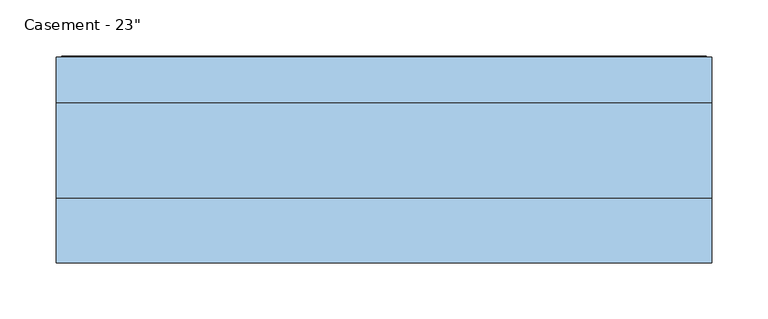
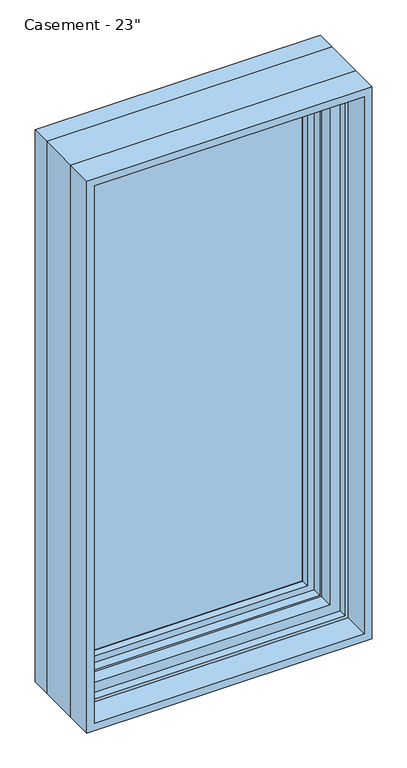
"""IFC4 building model written with IfcOpenShell, lengths in millimetres: window geometry."""

from ifc_helpers import new_model, si_unit, frame, origin, place, context, project, spatial, polyline, outline, extrude, faceted_brep, source, transform, mapped, element, save


def window_9c7bbb80(model_context):
    return source(origin(), model_context, "Body", "SolidModel", [
        extrude(outline(polyline([(240.109375, 61.3770729), (-240.0849783, 61.3770729), (-240.0849783, 78.8395729), (240.109375, 78.8395729), (240.109375, 61.3770729)])), frame((0.0, 0.0, 971.5119), z_axis=(0.0, 0.0, 1.0), x_axis=(1.0, 0.0, 0.0)), (0.0, 0.0, 1.0), 1079.5762),
        extrude(outline(polyline([(914.4, -292.1), (914.4, 292.1), (2108.2, 292.1), (2108.2, -292.1), (914.4, -292.1)]), holes=[polyline([(2092.325, -276.225), (2092.325, 276.225), (930.275, 276.225), (930.275, -276.225), (2092.325, -276.225)])]), frame((0.0, -76.2, 0.0), z_axis=(0.0, 1.0, 0.0), x_axis=(0.0, 0.0, 1.0)), (0.0, 0.0, 1.0), 57.3484375),
        faceted_brep([(-240.0849783, 61.3770729, 966.4150217), (-240.0849783, 78.8395729, 966.4150217), (-240.0849783, 78.8395729, 2056.1849783), (-240.0849783, 61.3770729, 2056.1849783), (-228.4015625, 60.1793953, 978.0984375), (-228.4015625, 61.3770729, 978.0984375), (-228.4015625, 61.3770729, 2044.5015625), (-228.4015625, 60.1793953, 2044.5015625), (-231.1498111, 47.2499024, 975.3501889), (-231.1498111, 47.2499024, 2047.2498111), (-259.1341084, 78.8395729, 947.3658916), (-259.1341084, 47.2499024, 947.3658916), (-259.1341084, 47.2499024, 2075.2341084), (-259.1341084, 78.8395729, 2075.2341084), (240.0849783, 78.8395729, 2056.1849783), (240.0849783, 61.3770729, 2056.1849783), (228.4015625, 61.3770729, 2044.5015625), (228.4015625, 60.1793953, 2044.5015625), (231.1498111, 47.2499024, 2047.2498111), (259.1341084, 47.2499024, 2075.2341084), (259.1341084, 78.8395729, 2075.2341084), (240.0849783, 78.8395729, 966.4150217), (240.0849783, 61.3770729, 966.4150217), (228.4015625, 61.3770729, 978.0984375), (228.4015625, 60.1793953, 978.0984375), (231.1498111, 47.2499024, 975.3501889), (259.1341084, 47.2499024, 947.3658916), (259.1341084, 78.8395729, 947.3658916)], [[[0, 1, 2, 3]], [[4, 5, 6, 7]], [[8, 4, 7, 9]], [[10, 11, 12, 13]], [[3, 2, 14, 15]], [[7, 6, 16, 17]], [[9, 7, 17, 18]], [[13, 12, 19, 20]], [[15, 14, 21, 22]], [[17, 16, 23, 24]], [[18, 17, 24, 25]], [[20, 19, 26, 27]], [[13, 20, 27, 10], [1, 21, 14, 2]], [[22, 21, 1, 0]], [[3, 15, 22, 0], [5, 23, 16, 6]], [[24, 23, 5, 4]], [[25, 24, 4, 8]], [[11, 26, 19, 12], [9, 18, 25, 8]], [[27, 26, 11, 10]]]),
        extrude(outline(polyline([(941.2966952, -265.2033048), (941.2966952, 265.2033048), (2081.3033048, 265.2033048), (2081.3033048, -265.2033048), (941.2966952, -265.2033048)]), holes=[polyline([(2044.5015625, -228.4015625), (2044.5015625, 228.4015625), (978.0984375, 228.4015625), (978.0984375, -228.4015625), (2044.5015625, -228.4015625)])]), frame((0.0, 78.8395729, 0.0), z_axis=(0.0, 1.0, 0.0), x_axis=(0.0, 0.0, 1.0)), (0.0, 0.0, 1.0), 15.4487776),
        faceted_brep([(-277.5220166, 106.5736375, 928.9779834), (-282.855345, 108.1484375, 923.644655), (-282.855345, 108.1484375, 2098.955345), (-277.5220166, 106.5736375, 2093.6220166), (-272.6526868, 91.7927591, 933.8473132), (-272.6526868, 106.5736375, 933.8473132), (-272.6526868, 106.5736375, 2088.7526868), (-272.6526868, 91.7927591, 2088.7526868), (-271.4244, 77.6195591, 935.0756), (-271.4244, 77.6195591, 2087.5244), (-271.4244, 66.471779, 935.0756), (-271.4244, 66.471779, 2087.5244), (-292.1, 106.9932773, 914.4), (-292.1, 66.471779, 914.4), (-292.1, 66.471779, 2108.2), (-292.1, 106.9932773, 2108.2), (-289.814, 98.4241649, 916.686), (-289.814, 106.9932773, 916.686), (-289.814, 106.9932773, 2105.914), (-289.814, 98.4241649, 2105.914), (-287.0962, 108.1484375, 919.4038), (-287.0962, 98.4241649, 919.4038), (-287.0962, 98.4241649, 2103.1962), (-287.0962, 108.1484375, 2103.1962), (282.855345, 108.1484375, 2098.955345), (277.5220166, 106.5736375, 2093.6220166), (272.6526868, 106.5736375, 2088.7526868), (272.6526868, 91.7927591, 2088.7526868), (271.4244, 77.6195591, 2087.5244), (271.4244, 66.471779, 2087.5244), (292.1, 66.471779, 2108.2), (292.1, 106.9932773, 2108.2), (289.814, 106.9932773, 2105.914), (289.814, 98.4241649, 2105.914), (287.0962, 98.4241649, 2103.1962), (287.0962, 108.1484375, 2103.1962), (282.855345, 108.1484375, 923.644655), (277.5220166, 106.5736375, 928.9779834), (272.6526868, 106.5736375, 933.8473132), (272.6526868, 91.7927591, 933.8473132), (271.4244, 77.6195591, 935.0756), (271.4244, 66.471779, 935.0756), (292.1, 66.471779, 914.4), (292.1, 106.9932773, 914.4), (289.814, 106.9932773, 916.686), (289.814, 98.4241649, 916.686), (287.0962, 98.4241649, 919.4038), (287.0962, 108.1484375, 919.4038)], [[[0, 1, 2, 3]], [[4, 5, 6, 7]], [[8, 4, 7, 9]], [[10, 8, 9, 11]], [[12, 13, 14, 15]], [[16, 17, 18, 19]], [[20, 21, 22, 23]], [[3, 2, 24, 25]], [[7, 6, 26, 27]], [[9, 7, 27, 28]], [[11, 9, 28, 29]], [[15, 14, 30, 31]], [[19, 18, 32, 33]], [[23, 22, 34, 35]], [[25, 24, 36, 37]], [[27, 26, 38, 39]], [[28, 27, 39, 40]], [[29, 28, 40, 41]], [[31, 30, 42, 43]], [[33, 32, 44, 45]], [[35, 34, 46, 47]], [[37, 36, 1, 0]], [[3, 25, 37, 0], [5, 38, 26, 6]], [[39, 38, 5, 4]], [[40, 39, 4, 8]], [[41, 40, 8, 10]], [[13, 42, 30, 14], [11, 29, 41, 10]], [[43, 42, 13, 12]], [[15, 31, 43, 12], [17, 44, 32, 18]], [[45, 44, 17, 16]], [[19, 33, 45, 16], [21, 46, 34, 22]], [[47, 46, 21, 20]], [[23, 35, 47, 20], [1, 36, 24, 2]]]),
        faceted_brep([(-292.1, 66.471779, 914.4), (-292.1, -18.8515625, 914.4), (-292.1, -18.8515625, 2108.2), (-292.1, 66.471779, 2108.2), (-272.4404, 54.0563278, 934.0596), (-272.4404, 66.471779, 934.0596), (-272.4404, 66.471779, 2088.5404), (-272.4404, 54.0563278, 2088.5404), (-265.9634, 47.0093984, 940.5366), (-265.9634, 54.0563278, 940.5366), (-265.9634, 54.0563278, 2082.0634), (-265.9634, 47.0093984, 2082.0634), (-244.475, 27.2279649, 962.025), (-244.475, 47.0093984, 962.025), (-244.475, 47.0093984, 2060.575), (-244.475, 27.2279649, 2060.575), (-248.4374, -1.7772662, 958.0626), (-248.4374, 27.2279649, 958.0626), (-248.4374, 27.2279649, 2064.5374), (-248.4374, -1.7772662, 2064.5374), (292.1, -18.8515625, 2108.2), (292.1, 66.471779, 2108.2), (272.4404, 66.471779, 2088.5404), (272.4404, 54.0563278, 2088.5404), (265.9634, 54.0563278, 2082.0634), (265.9634, 47.0093984, 2082.0634), (244.475, 47.0093984, 2060.575), (244.475, 27.2279649, 2060.575), (248.4374, 27.2279649, 2064.5374), (248.4374, -1.7772662, 2064.5374), (292.1, -18.8515625, 914.4), (292.1, 66.471779, 914.4), (272.4404, 66.471779, 934.0596), (272.4404, 54.0563278, 934.0596), (265.9634, 54.0563278, 940.5366), (265.9634, 47.0093984, 940.5366), (244.475, 47.0093984, 962.025), (244.475, 27.2279649, 962.025), (248.4374, 27.2279649, 958.0626), (248.4374, -1.7772662, 958.0626), (-269.8761112, -18.8515625, 2085.9761112), (269.8761112, -18.8515625, 2085.9761112), (269.8761112, -18.8515625, 936.6238888), (-269.8761112, -18.8515625, 936.6238888), (-269.8761112, -1.7772662, 936.6238888), (269.8761112, -1.7772662, 936.6238888), (269.8761112, -1.7772662, 2085.9761112), (-269.8761112, -1.7772662, 2085.9761112)], [[[0, 1, 2, 3]], [[4, 5, 6, 7]], [[8, 9, 10, 11]], [[12, 13, 14, 15]], [[16, 17, 18, 19]], [[3, 2, 20, 21]], [[7, 6, 22, 23]], [[11, 10, 24, 25]], [[15, 14, 26, 27]], [[19, 18, 28, 29]], [[21, 20, 30, 31]], [[23, 22, 32, 33]], [[25, 24, 34, 35]], [[27, 26, 36, 37]], [[29, 28, 38, 39]], [[1, 30, 20, 2], [40, 41, 42, 43]], [[31, 30, 1, 0]], [[3, 21, 31, 0], [5, 32, 22, 6]], [[33, 32, 5, 4]], [[7, 23, 33, 4], [9, 34, 24, 10]], [[35, 34, 9, 8]], [[11, 25, 35, 8], [13, 36, 26, 14]], [[37, 36, 13, 12]], [[17, 38, 28, 18], [15, 27, 37, 12]], [[39, 38, 17, 16]], [[44, 45, 46, 47], [19, 29, 39, 16]], [[43, 44, 47, 40]], [[40, 47, 46, 41]], [[41, 46, 45, 42]], [[42, 45, 44, 43]]]),
    ])


if __name__ == "__main__":
    model = new_model("IFC4")
    model_context = context("Model", 3, world=origin())
    ifc_project = project(units=[si_unit("LENGTHUNIT", "METRE", prefix="MILLI")], contexts=[model_context])
    site = spatial("IfcSite", under=ifc_project)
    building = spatial("IfcBuilding", under=site)
    placement = place(None, origin())
    window_shape = window_9c7bbb80(model_context)
    element("IfcWindow", 1, ObjectType="Casement - 23\"", at=placement, inside=building, context=model_context, shape_type="MappedRepresentation", body=[
        mapped(window_shape, transform((0.0, 0.0, 0.0), x_axis=(1.0, 0.0, 0.0), y_axis=(0.0, 1.0, 0.0), z_axis=(0.0, 0.0, 1.0))),
    ])
    save(model, "model.ifc")
